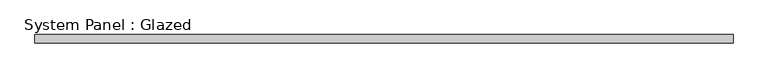
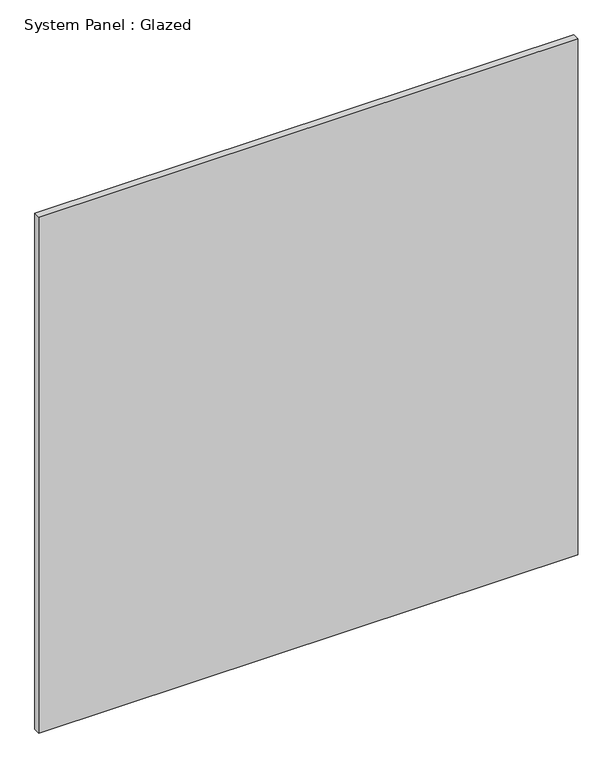
"""IFC4 building model written with IfcOpenShell, lengths in millimetres: plate geometry, System Panel : Glazed."""

import ifcopenshell
import ifcopenshell.guid

model = None  # the IFC model being written
_history = None  # IfcOwnerHistory: only IFC2X3 demands one
_inside = {}  # id of a spatial element -> (the spatial element, [elements in it])
_under = {}  # id of a project, library or spatial element -> (it, [spatial elements below it])
_declared = {}  # id of a project -> (the project, [libraries it declares])
_typed = {}  # id of a type object -> (the type object, [elements of that type])
_made_of = {}  # id of a material, layer set ... -> (it, [elements and type objects made of it])


def new_model(schema):
    """Start an empty IFC model of exactly this schema.

    Asked for "IFC4X3", IfcOpenShell would pick the latest addendum, in which some entities
    have other attributes; the version numbers below select the first issue.
    IFC2X3 requires an IfcOwnerHistory on every rooted entity: one is made here for all.
    """
    global model, _history
    if schema == "IFC4X3":
        model = ifcopenshell.file(schema_version=(4, 3, 0, 0))
    else:
        model = ifcopenshell.file(schema=schema)
    _inside.clear()
    _under.clear()
    _declared.clear()
    _typed.clear()
    _made_of.clear()
    _history = None
    if model.schema == "IFC2X3":
        org = make("IfcOrganization", Name="unknown")
        user = make(
            "IfcPersonAndOrganization",
            ThePerson=make("IfcPerson", FamilyName="unknown"),
            TheOrganization=org,
        )
        app = make(
            "IfcApplication",
            ApplicationDeveloper=org,
            Version="unknown",
            ApplicationFullName="unknown",
            ApplicationIdentifier="unknown",
        )
        _history = make(
            "IfcOwnerHistory",
            OwningUser=user,
            OwningApplication=app,
            ChangeAction="ADDED",
            CreationDate=0,
        )
    return model


def make(cls, **values):
    """One entity of the class cls with the attributes given. An attribute that is None is left unset."""
    return model.create_entity(
        cls, **{name: value for name, value in values.items() if value is not None}
    )


def rooted(cls, **values):
    """An entity with a GlobalId (a new one), such as an element, a storey or a relation."""
    return make(cls, GlobalId=ifcopenshell.guid.new(), OwnerHistory=_history, **values)


def si_unit(unit_type, name, prefix=None):
    """IfcSIUnit, for example si_unit("LENGTHUNIT", "METRE", prefix="MILLI")."""
    return make("IfcSIUnit", UnitType=unit_type, Prefix=prefix, Name=name)


def assignment(units):
    """IfcUnitAssignment: the units of a project."""
    return None if units is None else make("IfcUnitAssignment", Units=units)


def point(xyz):
    """IfcCartesianPoint."""
    return None if xyz is None else make("IfcCartesianPoint", Coordinates=xyz)


def direction(xyz):
    """IfcDirection."""
    return None if xyz is None else make("IfcDirection", DirectionRatios=xyz)


def frame(location, z_axis=None, x_axis=None):
    """IfcAxis2Placement3D, a coordinate frame: its origin and axes. An axis left out is left unset."""
    return make(
        "IfcAxis2Placement3D",
        Location=point(location),
        Axis=direction(z_axis),
        RefDirection=direction(x_axis),
    )


def origin():
    """The frame at (0, 0, 0) with its axes left unset."""
    return frame((0.0, 0.0, 0.0))


def origin_with_axes():
    """The frame at (0, 0, 0) with the z axis (0, 0, 1) and the x axis (1, 0, 0) written out."""
    return frame((0.0, 0.0, 0.0), z_axis=(0.0, 0.0, 1.0), x_axis=(1.0, 0.0, 0.0))


def place(relative_to, where):
    """IfcLocalPlacement: puts the frame where relative to a parent placement (None: the world)."""
    return make(
        "IfcLocalPlacement", PlacementRelTo=relative_to, RelativePlacement=where
    )


def context(
    kind, dimensions, precision=None, world=None, true_north=None, identifier=None
):
    """IfcGeometricRepresentationContext, for example the 3D "Model" context."""
    return make(
        "IfcGeometricRepresentationContext",
        ContextIdentifier=identifier,
        ContextType=kind,
        CoordinateSpaceDimension=dimensions,
        Precision=precision,
        WorldCoordinateSystem=world,
        TrueNorth=true_north,
    )


def project(units=None, contexts=None):
    """IfcProject with its units and contexts."""
    return rooted(
        "IfcProject",
        Name="project",
        RepresentationContexts=contexts,
        UnitsInContext=assignment(units),
    )


def spatial(cls, under=None, at=None, **own):
    """A site, building, storey or space (cls), placed at a placement, below another one or the project."""
    s = rooted(cls, ObjectPlacement=at, **own)
    if under is not None:
        _under.setdefault(under.id(), (under, []))[1].append(s)
    return s


def polyline(points):
    """IfcPolyline through the points."""
    return make("IfcPolyline", Points=[point(p) for p in points])


def outline(outer, holes=None, kind="AREA"):
    """IfcArbitraryClosedProfileDef: a profile drawn as a closed curve; with holes, ...WithVoids."""
    if holes is None:
        return make("IfcArbitraryClosedProfileDef", ProfileType=kind, OuterCurve=outer)
    return make(
        "IfcArbitraryProfileDefWithVoids",
        ProfileType=kind,
        OuterCurve=outer,
        InnerCurves=holes,
    )


def extrude(swept, where, along, depth):
    """IfcExtrudedAreaSolid: the profile swept, set in the frame where, extruded along a direction by depth."""
    return make(
        "IfcExtrudedAreaSolid",
        SweptArea=swept,
        Position=where,
        ExtrudedDirection=direction(along),
        Depth=depth,
    )


def shape(context_of_items, identifier, shape_type, items):
    """IfcShapeRepresentation: the items that make up one representation, for example the "Body"."""
    return make(
        "IfcShapeRepresentation",
        ContextOfItems=context_of_items,
        RepresentationIdentifier=identifier,
        RepresentationType=shape_type,
        Items=items,
    )


def source(mapping_origin, context_of_items, identifier, shape_type, items):
    """IfcRepresentationMap: a shape defined once, which mapped items show again and again."""
    return make(
        "IfcRepresentationMap",
        MappingOrigin=mapping_origin,
        MappedRepresentation=shape(context_of_items, identifier, shape_type, items),
    )


def transform(
    local_origin,
    x_axis=None,
    y_axis=None,
    z_axis=None,
    scale=None,
    scale2=None,
    scale3=None,
    uniform=True,
):
    """IfcCartesianTransformationOperator3D, or its non-uniform kind. x_axis, y_axis, z_axis: its Axis1, 2, 3."""
    if uniform:
        return make(
            "IfcCartesianTransformationOperator3D",
            Axis1=direction(x_axis),
            Axis2=direction(y_axis),
            LocalOrigin=point(local_origin),
            Scale=scale,
            Axis3=direction(z_axis),
        )
    return make(
        "IfcCartesianTransformationOperator3DnonUniform",
        Axis1=direction(x_axis),
        Axis2=direction(y_axis),
        LocalOrigin=point(local_origin),
        Scale=scale,
        Axis3=direction(z_axis),
        Scale2=scale2,
        Scale3=scale3,
    )


def mapped(mapping_source, mapping_target):
    """IfcMappedItem: shows the shape of a source again, moved by a transform."""
    return make(
        "IfcMappedItem", MappingSource=mapping_source, MappingTarget=mapping_target
    )


def made_of(thing, what):
    """Note that an element or type object is made of a material, layer set ...; save() writes the relation."""
    if what is not None:
        _made_of.setdefault(what.id(), (what, []))[1].append(thing)
    return thing


def element(
    cls,
    number,
    at=None,
    inside=None,
    cuts=None,
    type_object=None,
    material=None,
    context=None,
    identifier="Body",
    shape_type=None,
    held_by="IfcProductDefinitionShape",
    body=None,
    shapes=None,
    **own,
):
    """One element of the class cls, such as IfcWall. Its Tag is "e" and its number.

    at: its placement. inside: the storey or other place that contains it. cuts: it is an
    opening in that element (IfcRelVoidsElement). A single representation is given by context,
    identifier, shape_type and body (its items); several are given by shapes. held_by: the class
    of the entity that holds the representations. save() writes the other relations.
    """
    e = rooted(cls, Tag="e%d" % number, ObjectPlacement=at, **own)
    if body is not None:
        shapes = [shape(context, identifier, shape_type, body)]
    if shapes is not None:
        e.Representation = make(held_by, Representations=shapes)
    if inside is not None:
        _inside.setdefault(inside.id(), (inside, []))[1].append(e)
    if cuts is not None:
        rooted(
            "IfcRelVoidsElement", RelatingBuildingElement=cuts, RelatedOpeningElement=e
        )
    if type_object is not None:
        _typed.setdefault(type_object.id(), (type_object, []))[1].append(e)
    return made_of(e, material)


def aggregate(whole, parts):
    """IfcRelAggregates: a whole, such as a stair, and the parts it consists of."""
    return rooted("IfcRelAggregates", RelatingObject=whole, RelatedObjects=parts)


def save(model, path):
    """Write the relations noted so far, then the file.

    IfcRelAggregates (storeys below a building ...), IfcRelContainedInSpatialStructure (elements
    in a storey), IfcRelDefinesByType, IfcRelAssociatesMaterial and IfcRelDeclares: one each for
    every whole, place, type object, material and project.
    """
    for whole, parts in _under.values():
        aggregate(whole, parts)
    for where, things in _inside.values():
        rooted(
            "IfcRelContainedInSpatialStructure",
            RelatedElements=things,
            RelatingStructure=where,
        )
    for kind, things in _typed.values():
        rooted("IfcRelDefinesByType", RelatedObjects=things, RelatingType=kind)
    for what, things in _made_of.values():
        rooted("IfcRelAssociatesMaterial", RelatedObjects=things, RelatingMaterial=what)
    for by, libraries in _declared.values():
        rooted("IfcRelDeclares", RelatingContext=by, RelatedDefinitions=libraries)
    model.write(path)


def system_panel_glazed_d9b2eeeb(model_context):
    return source(origin(), model_context, "Body", "SweptSolid", [
        extrude(outline(polyline([(1037.5, 24.5), (-1037.5, 24.5), (-1037.5, 49.5), (1037.5, 49.5), (1037.5, 24.5)])), origin_with_axes(), (0.0, 0.0, 1.0), 2100.0),
    ])


if __name__ == "__main__":
    model = new_model("IFC4")
    model_context = context("Model", 3, world=origin())
    ifc_project = project(units=[si_unit("LENGTHUNIT", "METRE", prefix="MILLI")], contexts=[model_context])
    site = spatial("IfcSite", under=ifc_project)
    building = spatial("IfcBuilding", under=site)
    placement = place(None, origin())
    system_panel_glazed_shape = system_panel_glazed_d9b2eeeb(model_context)
    element("IfcPlate", 1, ObjectType="System Panel : Glazed", at=placement, inside=building, context=model_context, shape_type="MappedRepresentation", body=[
        mapped(system_panel_glazed_shape, transform((0.0, 0.0, 0.0), x_axis=(1.0, 0.0, 0.0), y_axis=(0.0, 1.0, 0.0), z_axis=(0.0, 0.0, 1.0))),
    ])
    save(model, "model.ifc")
